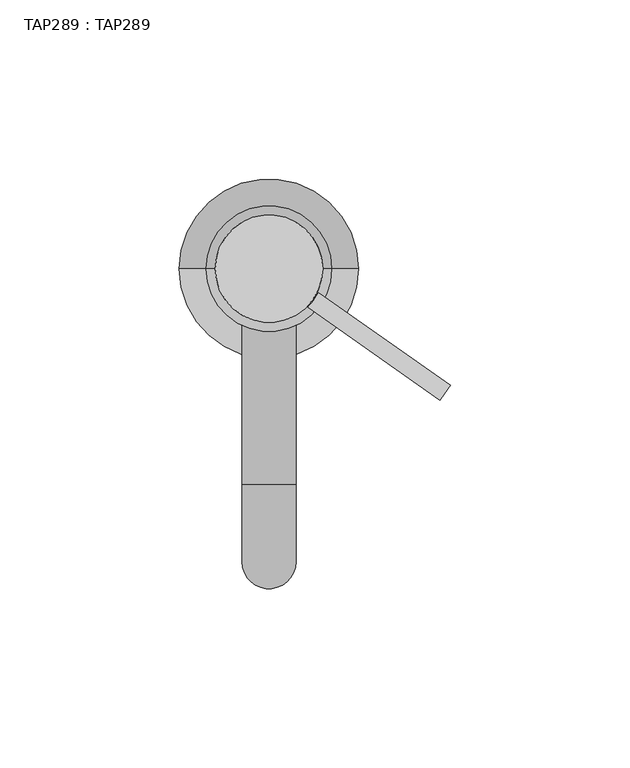
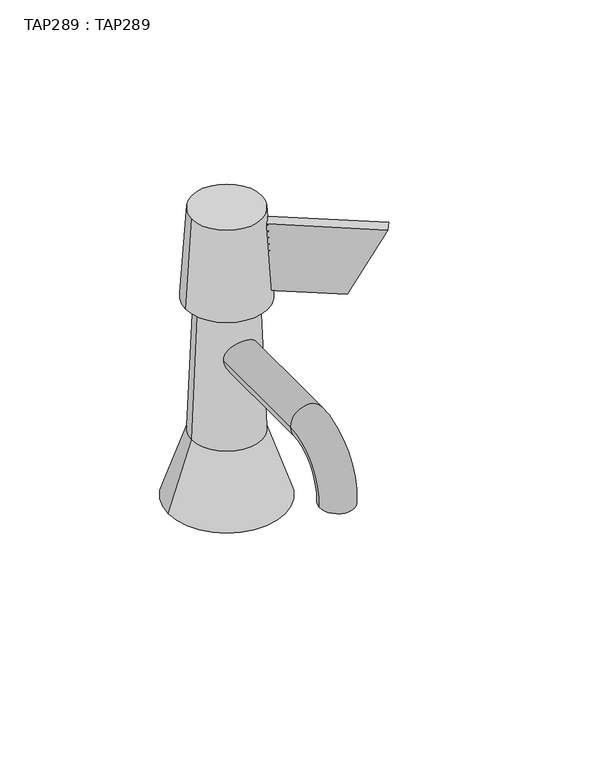
"""IFC4 building model written with IfcOpenShell, lengths in millimetres: proxy geometry, TAP289 : TAP289."""

import ifcopenshell
import ifcopenshell.guid

model = None  # the IFC model being written
_history = None  # IfcOwnerHistory: only IFC2X3 demands one
_inside = {}  # id of a spatial element -> (the spatial element, [elements in it])
_under = {}  # id of a project, library or spatial element -> (it, [spatial elements below it])
_declared = {}  # id of a project -> (the project, [libraries it declares])
_typed = {}  # id of a type object -> (the type object, [elements of that type])
_made_of = {}  # id of a material, layer set ... -> (it, [elements and type objects made of it])


def new_model(schema):
    """Start an empty IFC model of exactly this schema.

    Asked for "IFC4X3", IfcOpenShell would pick the latest addendum, in which some entities
    have other attributes; the version numbers below select the first issue.
    IFC2X3 requires an IfcOwnerHistory on every rooted entity: one is made here for all.
    """
    global model, _history
    if schema == "IFC4X3":
        model = ifcopenshell.file(schema_version=(4, 3, 0, 0))
    else:
        model = ifcopenshell.file(schema=schema)
    _inside.clear()
    _under.clear()
    _declared.clear()
    _typed.clear()
    _made_of.clear()
    _history = None
    if model.schema == "IFC2X3":
        org = make("IfcOrganization", Name="unknown")
        user = make(
            "IfcPersonAndOrganization",
            ThePerson=make("IfcPerson", FamilyName="unknown"),
            TheOrganization=org,
        )
        app = make(
            "IfcApplication",
            ApplicationDeveloper=org,
            Version="unknown",
            ApplicationFullName="unknown",
            ApplicationIdentifier="unknown",
        )
        _history = make(
            "IfcOwnerHistory",
            OwningUser=user,
            OwningApplication=app,
            ChangeAction="ADDED",
            CreationDate=0,
        )
    return model


def make(cls, **values):
    """One entity of the class cls with the attributes given. An attribute that is None is left unset."""
    return model.create_entity(
        cls, **{name: value for name, value in values.items() if value is not None}
    )


def rooted(cls, **values):
    """An entity with a GlobalId (a new one), such as an element, a storey or a relation."""
    return make(cls, GlobalId=ifcopenshell.guid.new(), OwnerHistory=_history, **values)


def si_unit(unit_type, name, prefix=None):
    """IfcSIUnit, for example si_unit("LENGTHUNIT", "METRE", prefix="MILLI")."""
    return make("IfcSIUnit", UnitType=unit_type, Prefix=prefix, Name=name)


def assignment(units):
    """IfcUnitAssignment: the units of a project."""
    return None if units is None else make("IfcUnitAssignment", Units=units)


def point(xyz):
    """IfcCartesianPoint."""
    return None if xyz is None else make("IfcCartesianPoint", Coordinates=xyz)


def direction(xyz):
    """IfcDirection."""
    return None if xyz is None else make("IfcDirection", DirectionRatios=xyz)


def frame(location, z_axis=None, x_axis=None):
    """IfcAxis2Placement3D, a coordinate frame: its origin and axes. An axis left out is left unset."""
    return make(
        "IfcAxis2Placement3D",
        Location=point(location),
        Axis=direction(z_axis),
        RefDirection=direction(x_axis),
    )


def origin():
    """The frame at (0, 0, 0) with its axes left unset."""
    return frame((0.0, 0.0, 0.0))


def place(relative_to, where):
    """IfcLocalPlacement: puts the frame where relative to a parent placement (None: the world)."""
    return make(
        "IfcLocalPlacement", PlacementRelTo=relative_to, RelativePlacement=where
    )


def context(
    kind, dimensions, precision=None, world=None, true_north=None, identifier=None
):
    """IfcGeometricRepresentationContext, for example the 3D "Model" context."""
    return make(
        "IfcGeometricRepresentationContext",
        ContextIdentifier=identifier,
        ContextType=kind,
        CoordinateSpaceDimension=dimensions,
        Precision=precision,
        WorldCoordinateSystem=world,
        TrueNorth=true_north,
    )


def project(units=None, contexts=None):
    """IfcProject with its units and contexts."""
    return rooted(
        "IfcProject",
        Name="project",
        RepresentationContexts=contexts,
        UnitsInContext=assignment(units),
    )


def spatial(cls, under=None, at=None, **own):
    """A site, building, storey or space (cls), placed at a placement, below another one or the project."""
    s = rooted(cls, ObjectPlacement=at, **own)
    if under is not None:
        _under.setdefault(under.id(), (under, []))[1].append(s)
    return s


def polyline(points):
    """IfcPolyline through the points."""
    return make("IfcPolyline", Points=[point(p) for p in points])


def circle_curve(where, radius):
    """IfcCircle in the frame where."""
    return make("IfcCircle", Position=where, Radius=radius)


def ellipse_curve(where, semi_axis1, semi_axis2):
    """IfcEllipse in the frame where."""
    return make(
        "IfcEllipse", Position=where, SemiAxis1=semi_axis1, SemiAxis2=semi_axis2
    )


def trimmed(basis, trim1, trim2, sense, master):
    """IfcTrimmedCurve: the piece of a basis curve between two trims."""
    return make(
        "IfcTrimmedCurve",
        BasisCurve=basis,
        Trim1=trim1,
        Trim2=trim2,
        SenseAgreement=sense,
        MasterRepresentation=master,
    )


def outline(outer, holes=None, kind="AREA"):
    """IfcArbitraryClosedProfileDef: a profile drawn as a closed curve; with holes, ...WithVoids."""
    if holes is None:
        return make("IfcArbitraryClosedProfileDef", ProfileType=kind, OuterCurve=outer)
    return make(
        "IfcArbitraryProfileDefWithVoids",
        ProfileType=kind,
        OuterCurve=outer,
        InnerCurves=holes,
    )


def extrude(swept, where, along, depth):
    """IfcExtrudedAreaSolid: the profile swept, set in the frame where, extruded along a direction by depth."""
    return make(
        "IfcExtrudedAreaSolid",
        SweptArea=swept,
        Position=where,
        ExtrudedDirection=direction(along),
        Depth=depth,
    )


def shape(context_of_items, identifier, shape_type, items):
    """IfcShapeRepresentation: the items that make up one representation, for example the "Body"."""
    return make(
        "IfcShapeRepresentation",
        ContextOfItems=context_of_items,
        RepresentationIdentifier=identifier,
        RepresentationType=shape_type,
        Items=items,
    )


def source(mapping_origin, context_of_items, identifier, shape_type, items):
    """IfcRepresentationMap: a shape defined once, which mapped items show again and again."""
    return make(
        "IfcRepresentationMap",
        MappingOrigin=mapping_origin,
        MappedRepresentation=shape(context_of_items, identifier, shape_type, items),
    )


def transform(
    local_origin,
    x_axis=None,
    y_axis=None,
    z_axis=None,
    scale=None,
    scale2=None,
    scale3=None,
    uniform=True,
):
    """IfcCartesianTransformationOperator3D, or its non-uniform kind. x_axis, y_axis, z_axis: its Axis1, 2, 3."""
    if uniform:
        return make(
            "IfcCartesianTransformationOperator3D",
            Axis1=direction(x_axis),
            Axis2=direction(y_axis),
            LocalOrigin=point(local_origin),
            Scale=scale,
            Axis3=direction(z_axis),
        )
    return make(
        "IfcCartesianTransformationOperator3DnonUniform",
        Axis1=direction(x_axis),
        Axis2=direction(y_axis),
        LocalOrigin=point(local_origin),
        Scale=scale,
        Axis3=direction(z_axis),
        Scale2=scale2,
        Scale3=scale3,
    )


def mapped(mapping_source, mapping_target):
    """IfcMappedItem: shows the shape of a source again, moved by a transform."""
    return make(
        "IfcMappedItem", MappingSource=mapping_source, MappingTarget=mapping_target
    )


def made_of(thing, what):
    """Note that an element or type object is made of a material, layer set ...; save() writes the relation."""
    if what is not None:
        _made_of.setdefault(what.id(), (what, []))[1].append(thing)
    return thing


def element(
    cls,
    number,
    at=None,
    inside=None,
    cuts=None,
    type_object=None,
    material=None,
    context=None,
    identifier="Body",
    shape_type=None,
    held_by="IfcProductDefinitionShape",
    body=None,
    shapes=None,
    **own,
):
    """One element of the class cls, such as IfcWall. Its Tag is "e" and its number.

    at: its placement. inside: the storey or other place that contains it. cuts: it is an
    opening in that element (IfcRelVoidsElement). A single representation is given by context,
    identifier, shape_type and body (its items); several are given by shapes. held_by: the class
    of the entity that holds the representations. save() writes the other relations.
    """
    e = rooted(cls, Tag="e%d" % number, ObjectPlacement=at, **own)
    if body is not None:
        shapes = [shape(context, identifier, shape_type, body)]
    if shapes is not None:
        e.Representation = make(held_by, Representations=shapes)
    if inside is not None:
        _inside.setdefault(inside.id(), (inside, []))[1].append(e)
    if cuts is not None:
        rooted(
            "IfcRelVoidsElement", RelatingBuildingElement=cuts, RelatedOpeningElement=e
        )
    if type_object is not None:
        _typed.setdefault(type_object.id(), (type_object, []))[1].append(e)
    return made_of(e, material)


def aggregate(whole, parts):
    """IfcRelAggregates: a whole, such as a stair, and the parts it consists of."""
    return rooted("IfcRelAggregates", RelatingObject=whole, RelatedObjects=parts)


def save(model, path):
    """Write the relations noted so far, then the file.

    IfcRelAggregates (storeys below a building ...), IfcRelContainedInSpatialStructure (elements
    in a storey), IfcRelDefinesByType, IfcRelAssociatesMaterial and IfcRelDeclares: one each for
    every whole, place, type object, material and project.
    """
    for whole, parts in _under.values():
        aggregate(whole, parts)
    for where, things in _inside.values():
        rooted(
            "IfcRelContainedInSpatialStructure",
            RelatedElements=things,
            RelatingStructure=where,
        )
    for kind, things in _typed.values():
        rooted("IfcRelDefinesByType", RelatedObjects=things, RelatingType=kind)
    for what, things in _made_of.values():
        rooted("IfcRelAssociatesMaterial", RelatedObjects=things, RelatingMaterial=what)
    for by, libraries in _declared.values():
        rooted("IfcRelDeclares", RelatingContext=by, RelatedDefinitions=libraries)
    model.write(path)


def plane_surface(at):
    """IfcPlane: the flat surface through the origin of the frame at, square to its z axis."""
    return make("IfcPlane", Position=at)


def cylinder_surface(at, radius):
    """IfcCylindricalSurface: all points at the distance radius from the z axis of the frame at."""
    return make("IfcCylindricalSurface", Position=at, Radius=radius)


def revolved_surface(curve, axis_point, axis_direction):
    """IfcSurfaceOfRevolution: the curve turned about the line through axis_point along axis_direction."""
    return make(
        "IfcSurfaceOfRevolution",
        SweptCurve=make("IfcArbitraryOpenProfileDef", ProfileType="CURVE", Curve=curve),
        AxisPosition=make("IfcAxis1Placement", Location=point(axis_point), Axis=direction(axis_direction)),
    )


def advanced_brep(points, edges, surfaces, faces):
    """IfcAdvancedBrep: a solid bounded by faces that lie on surfaces and meet in shared edges.

    An edge is (start, end): straight between two places in points (the first is 0);
    or (start, end, curve); or (start, end, curve, False) where it runs against its curve.
    A face is (place in surfaces, loops), or (place, loops, False) where it looks against
    its surface's normal. A loop lists edges by number (the first is 1), with a minus sign
    where the edge is run from its end to its start. The first loop is the outer one.
    """
    corners = [point(p) for p in points]
    vertices = [make("IfcVertexPoint", VertexGeometry=c) for c in corners]
    made = []
    for start, end, *more in edges:
        made.append(
            make(
                "IfcEdgeCurve",
                EdgeStart=vertices[start],
                EdgeEnd=vertices[end],
                EdgeGeometry=more[0] if more else make("IfcPolyline", Points=[corners[start], corners[end]]),
                SameSense=more[1] if len(more) > 1 else True,
            )
        )
    hull = []
    for where, loops, *sense in faces:
        bounds = []
        for j, loop in enumerate(loops):
            ring = [make("IfcOrientedEdge", EdgeElement=made[abs(k) - 1], Orientation=k > 0) for k in loop]
            bounds.append(
                make(
                    "IfcFaceOuterBound" if j == 0 else "IfcFaceBound",
                    Bound=make("IfcEdgeLoop", EdgeList=ring),
                    Orientation=True,
                )
            )
        hull.append(make("IfcAdvancedFace", Bounds=bounds, FaceSurface=surfaces[where], SameSense=sense[0] if sense else True))
    return make("IfcAdvancedBrep", Outer=make("IfcClosedShell", CfsFaces=hull))


def tap289_tap289_484f2132(model_context):
    return source(origin(), model_context, "Body", "SolidModel", [
        extrude(outline(polyline([(-45.0, 0.0), (0.0, 0.0), (0.0, -30.0), (-30.0, -30.0), (-45.0, 0.0)])), frame((10.9030989, -10.73101, 125.2200002), z_axis=(0.5756259766798127, 0.8177131128772559, 0.0), x_axis=(-0.8177131128772559, 0.5756259766798127, 0.0)), (0.0, 0.0, 1.0), 5.0),
        advanced_brep(
        [(-7.4999998, 0.0, 69.6500001), (7.4999998, 0.0, 69.6500001), (-7.4999998, -59.9999986, 69.6500001), (7.4999998, -59.9999986, 69.6500001), (-7.4999998, -81.6608109, 46.4216228), (7.4999998, -81.6608109, 46.4216228)],
        [
            (0, 1, circle_curve(frame((0.0, 0.0, 69.6500001), z_axis=(0.0, 1.0, 0.0), x_axis=(1.0, 0.0, 0.0)), 7.4999998)),
            (1, 0, circle_curve(frame((0.0, 0.0, 69.6500001), z_axis=(0.0, 1.0, 0.0), x_axis=(1.0, 0.0, 0.0)), 7.4999998)),
            (0, 2),
            (2, 3, circle_curve(frame((0.0, -59.9999986, 69.6500001), z_axis=(0.0, 1.0, 0.0), x_axis=(1.0, 0.0, 0.0)), 7.4999998)),
            (3, 1),
            (3, 2, circle_curve(frame((0.0, -59.9999986, 69.6500001), z_axis=(0.0, 1.0, 0.0), x_axis=(1.0, 0.0, 0.0)), 7.4999998)),
            (4, 5, circle_curve(frame((0.0, -81.6608109, 46.4216228), z_axis=(0.0, 0.06975647374410832, -0.9975640502598254), x_axis=(1.0, 0.0, 0.0)), 7.4999998)),
            (5, 4, circle_curve(frame((0.0, -81.6608109, 46.4216228), z_axis=(0.0, 0.06975647374410832, -0.9975640502598254), x_axis=(1.0, 0.0, 0.0)), 7.4999998)),
            (5, 3, circle_curve(frame((7.4999998, -59.9999986, 47.9362943), z_axis=(-1.0, 0.0, 0.0), x_axis=(0.0, 0.0, 1.0)), 21.7137058)),
            (2, 4, circle_curve(frame((-7.4999998, -59.9999986, 47.9362943), z_axis=(1.0, 0.0, 0.0), x_axis=(0.0, 0.0, 1.0)), 21.7137058)),
        ],
        [
            plane_surface(frame((0.0, 0.0, 69.6500001), z_axis=(0.0, 1.0, 0.0), x_axis=(1.0, 0.0, 0.0))),
            cylinder_surface(frame((0.0, 0.0, 69.6500001), z_axis=(0.0, 1.0, 0.0), x_axis=(1.0, 0.0, 0.0)), 7.4999998),
            plane_surface(frame((0.0, -81.6608109, 46.4216228), z_axis=(0.0, 0.06975647374410832, -0.9975640502598254), x_axis=(1.0, 0.0, 0.0))),
            revolved_surface(trimmed(ellipse_curve(frame((0.0, -59.9999986, 69.6500001), z_axis=(0.0, 1.0, 0.0), x_axis=(1.0, 0.0, 0.0)), 7.4999998, 7.4999998), [point((-7.4999998, -59.9999986, 69.6500001))], [point((7.4999998, -59.9999986, 69.6500001))], True, "CARTESIAN"), (0.0, -59.9999986, 47.9362943), (1.0, 0.0, 0.0)),
            revolved_surface(trimmed(ellipse_curve(frame((0.0, -59.9999986, 69.6500001), z_axis=(0.0, 1.0, 0.0), x_axis=(1.0, 0.0, 0.0)), 7.4999998, 7.4999998), [point((7.4999998, -59.9999986, 69.6500001))], [point((-7.4999998, -59.9999986, 69.6500001))], True, "CARTESIAN"), (0.0, -59.9999986, 47.9362943), (1.0, 0.0, 0.0)),
        ],
        [
            (0, [[1, 2]]),
            (1, [[-1, 3, 4, 5]]),
            (1, [[-2, -5, 6, -3]]),
            (2, [[7, 8]]),
            (3, [[9, -4, 10, -8]]),
            (4, [[-10, -6, -9, -7]]),
        ],
    ),
        advanced_brep(
        [(-15.0, 0.0, 129.9999955), (15.0, 0.0, 129.9999955), (-17.5, 0.0, 90.0000025), (17.5, 0.0, 90.0000025)],
        [
            (0, 1, circle_curve(frame((0.0, 0.0, 129.9999955), z_axis=(0.0, 0.0, 1.0), x_axis=(-1.0, 0.0, 0.0)), 15.0)),
            (1, 0, circle_curve(frame((0.0, 0.0, 129.9999955), z_axis=(0.0, 0.0, 1.0), x_axis=(1.0, 0.0, 0.0)), 15.0)),
            (2, 3, circle_curve(frame((0.0, 0.0, 90.0000025), z_axis=(0.0, 0.0, -1.0), x_axis=(1.0, 0.0, 0.0)), 17.5)),
            (3, 2, circle_curve(frame((0.0, 0.0, 90.0000025), z_axis=(0.0, 0.0, -1.0), x_axis=(-1.0, 0.0, 0.0)), 17.5)),
            (3, 1),
            (0, 2),
        ],
        [
            plane_surface(frame((0.0, 0.0, 129.9999955), z_axis=(0.0, 0.0, 1.0), x_axis=(0.0, -1.0, 0.0))),
            plane_surface(frame((0.0, 0.0, 90.0000025), z_axis=(0.0, 0.0, -1.0), x_axis=(0.0, -1.0, 0.0))),
            revolved_surface(polyline([(-15.00000000267857, 0.0, 129.9999955), (-17.5, 0.0, 90.0000025)]), (0.0, 0.0, 369.9999538), (0.0, 0.0, -1.0)),
            revolved_surface(polyline([(15.00000000267857, 0.0, 129.9999955), (17.5, 0.0, 90.0000025)]), (0.0, 0.0, 369.9999538), (0.0, 0.0, -1.0)),
        ],
        [
            (0, [[1, 2]]),
            (1, [[3, 4]]),
            (2, [[-4, 5, -1, 6]]),
            (3, [[-3, -6, -2, -5]]),
        ],
    ),
        advanced_brep(
        [(-12.5, 0.0, 90.0000025), (12.5, 0.0, 90.0000025), (-15.0, 0.0, 29.9999993), (15.0, 0.0, 29.9999993)],
        [
            (0, 1, circle_curve(frame((0.0, 0.0, 90.0000025), z_axis=(0.0, 0.0, 1.0), x_axis=(-1.0, 0.0, 0.0)), 12.5)),
            (1, 0, circle_curve(frame((0.0, 0.0, 90.0000025), z_axis=(0.0, 0.0, 1.0), x_axis=(1.0, 0.0, 0.0)), 12.5)),
            (2, 3, circle_curve(frame((0.0, 0.0, 29.9999993), z_axis=(0.0, 0.0, -1.0), x_axis=(1.0, 0.0, 0.0)), 15.0)),
            (3, 2, circle_curve(frame((0.0, 0.0, 29.9999993), z_axis=(0.0, 0.0, -1.0), x_axis=(-1.0, 0.0, 0.0)), 15.0)),
            (3, 1),
            (0, 2),
        ],
        [
            plane_surface(frame((0.0, 0.0, 90.0000025), z_axis=(0.0, 0.0, 1.0), x_axis=(0.0, -1.0, 0.0))),
            plane_surface(frame((0.0, 0.0, 29.9999993), z_axis=(0.0, 0.0, -1.0), x_axis=(0.0, -1.0, 0.0))),
            revolved_surface(polyline([(-12.499999999305556, 0.0, 90.0000025), (-15.0, 0.0, 29.999999300000013)]), (0.0, 0.0, 390.0000184), (0.0, 0.0, -1.0)),
            revolved_surface(polyline([(12.499999999305556, 0.0, 90.0000025), (15.0, 0.0, 29.999999300000013)]), (0.0, 0.0, 390.0000184), (0.0, 0.0, -1.0)),
        ],
        [
            (0, [[1, 2]]),
            (1, [[3, 4]]),
            (2, [[-4, 5, -1, 6]]),
            (3, [[-3, -6, -2, -5]]),
        ],
    ),
        advanced_brep(
        [(-15.0, 0.0, 29.9999993), (15.0, 0.0, 29.9999993), (-25.0, 0.0, 0.0), (25.0, 0.0, 0.0)],
        [
            (0, 1, circle_curve(frame((0.0, 0.0, 29.9999993), z_axis=(0.0, 0.0, 1.0), x_axis=(-1.0, 0.0, 0.0)), 15.0)),
            (1, 0, circle_curve(frame((0.0, 0.0, 29.9999993), z_axis=(0.0, 0.0, 1.0), x_axis=(1.0, 0.0, 0.0)), 15.0)),
            (2, 3, circle_curve(frame((0.0, 0.0, 0.0), z_axis=(0.0, 0.0, -1.0), x_axis=(1.0, 0.0, 0.0)), 25.0)),
            (3, 2, circle_curve(frame((0.0, 0.0, 0.0), z_axis=(0.0, 0.0, -1.0), x_axis=(-1.0, 0.0, 0.0)), 25.0)),
            (3, 1),
            (0, 2),
        ],
        [
            plane_surface(frame((0.0, 0.0, 29.9999993), z_axis=(0.0, 0.0, 1.0), x_axis=(0.0, -1.0, 0.0))),
            plane_surface(frame((0.0, 0.0, 0.0), z_axis=(0.0, 0.0, -1.0), x_axis=(0.0, -1.0, 0.0))),
            revolved_surface(polyline([(-15.000000006666667, 0.0, 29.9999993), (-25.0, 0.0, 0.0)]), (0.0, 0.0, 74.9999983), (0.0, 0.0, -1.0)),
            revolved_surface(polyline([(15.000000006666667, 0.0, 29.9999993), (25.0, 0.0, 0.0)]), (0.0, 0.0, 74.9999983), (0.0, 0.0, -1.0)),
        ],
        [
            (0, [[1, 2]]),
            (1, [[3, 4]]),
            (2, [[-4, 5, -1, 6]]),
            (3, [[-3, -6, -2, -5]]),
        ],
    ),
    ])


if __name__ == "__main__":
    model = new_model("IFC4")
    model_context = context("Model", 3, world=origin())
    ifc_project = project(units=[si_unit("LENGTHUNIT", "METRE", prefix="MILLI")], contexts=[model_context])
    site = spatial("IfcSite", under=ifc_project)
    building = spatial("IfcBuilding", under=site)
    placement = place(None, origin())
    tap289_tap289_shape = tap289_tap289_484f2132(model_context)
    element("IfcBuildingElementProxy", 1, Name="TAP289 : TAP289", ObjectType="TAP289 : TAP289", at=placement, inside=building, context=model_context, shape_type="MappedRepresentation", body=[
        mapped(tap289_tap289_shape, transform((0.0, 0.0, 0.0), x_axis=(1.0, 0.0, 0.0), y_axis=(0.0, 1.0, 0.0), z_axis=(0.0, 0.0, 1.0))),
    ])
    save(model, "model.ifc")
